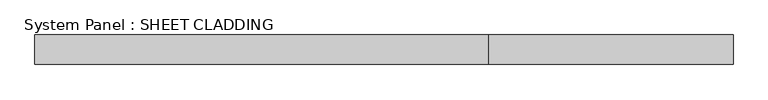
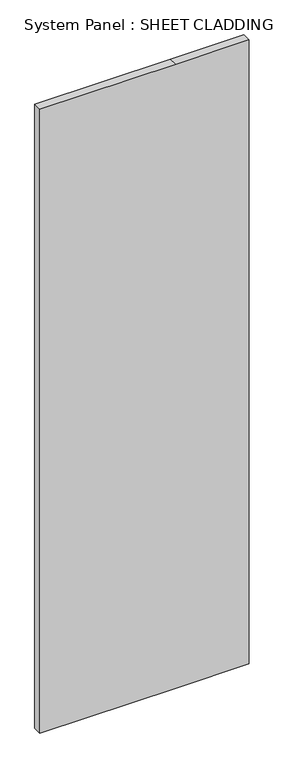
"""IFC4 building model written with IfcOpenShell, lengths in millimetres: plate geometry, System Panel : SHEET CLADDING."""

from ifc_helpers import new_model, si_unit, frame, origin, place, context, project, spatial, polyline, outline, extrude, source, transform, mapped, element, save


def system_panel_sheet_cladding_9e5e7799(model_context):
    return source(origin(), model_context, "Body", "SweptSolid", [
        extrude(outline(polyline([(0.0, -714.2857143), (0.0, 214.2857145), (0.0, 714.2857143), (4500.0, 714.2857143), (4500.0, 214.2857145), (4500.0, -714.2857143), (0.0, -714.2857143)])), frame((0.0, -49.5, 0.0), z_axis=(0.0, 1.0, 0.0), x_axis=(0.0, 0.0, 1.0)), (0.0, 0.0, 1.0), 60.0),
    ])


if __name__ == "__main__":
    model = new_model("IFC4")
    model_context = context("Model", 3, world=origin())
    ifc_project = project(units=[si_unit("LENGTHUNIT", "METRE", prefix="MILLI")], contexts=[model_context])
    site = spatial("IfcSite", under=ifc_project)
    building = spatial("IfcBuilding", under=site)
    placement = place(None, origin())
    system_panel_sheet_cladding_shape = system_panel_sheet_cladding_9e5e7799(model_context)
    element("IfcPlate", 1, ObjectType="System Panel : SHEET CLADDING", at=placement, inside=building, context=model_context, shape_type="MappedRepresentation", body=[
        mapped(system_panel_sheet_cladding_shape, transform((0.0, 0.0, 0.0), x_axis=(1.0, 0.0, 0.0), y_axis=(0.0, 1.0, 0.0), z_axis=(0.0, 0.0, 1.0))),
    ])
    save(model, "model.ifc")
